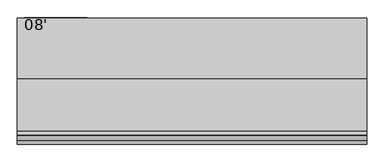
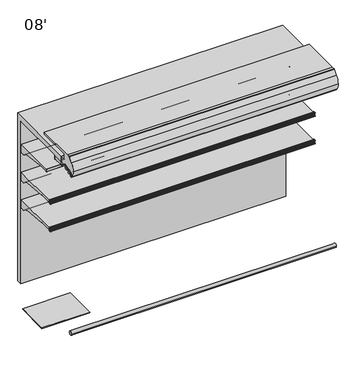
"""IFC4 building model written with IfcOpenShell, lengths in millimetres: proxy geometry, 08'."""

from ifc_helpers import new_model, si_unit, point, frame, frame_2d, origin, place, context, project, spatial, polyline, circle_curve, trimmed, segment, composite_curve, outline, extrude, source, transform, mapped, element, save
from ifc_brep_helpers import plane_surface, cylinder_surface, revolved_surface, advanced_brep


def proxy_08_c13de053(model_context):
    return source(origin(), model_context, "Body", "SolidModel", [
        advanced_brep(
        [(2438.4, -953.4873974, 1188.3336206), (2438.4, -952.5185778, 1188.7146206), (2438.4, -953.6333414, 1191.5492791), (2438.4, -956.6955302, 1193.6427997), (2438.4, -959.1595285, 1193.6508058), (2438.4, -959.1595285, 1165.1089274), (2438.4, -961.2817196, 1162.6035261), (2438.4, -965.5436404, 1161.8992819), (2438.4, -968.2411887, 1165.5176966), (2438.4, -965.1539285, 1178.0739002), (2438.4, -965.1539285, 1193.6508058), (2438.4, -970.314443, 1193.6508058), (2438.4, -971.339509, 1193.1306533), (2438.4, -972.4224632, 1190.8805751), (2438.4, -971.4385536, 1190.6868672), (2438.4, -970.8449745, 1192.2840367), (2438.4, -969.9972085, 1192.4534439), (2438.4, -967.9567396, 1189.3559236), (2438.4, -967.0677396, 1189.3559236), (2438.4, -967.0677396, 1184.5415513), (2438.4, -966.2810398, 1184.3469249), (2438.4, -967.0803293, 1181.1161148), (2438.4, -967.1337108, 1178.0579707), (2438.4, -967.1768859, 1176.9354655), (2438.4, -967.3201998, 1175.2918474), (2438.4, -967.7783843, 1172.5359697), (2438.4, -968.1746064, 1170.9343994), (2438.4, -971.9864246, 1162.6566769), (2438.4, -972.8889174, 1162.7757838), (2438.4, -973.3695256, 1164.2215289), (2438.4, -974.339124, 1163.9575737), (2438.4, -973.9435731, 1162.8065372), (2438.4, -968.3206176, 1159.0474424), (2438.4, -955.7661201, 1161.1134934), (2438.4, -953.1994616, 1163.2422642), (2438.4, -952.2242271, 1165.9215536), (2438.4, -953.2266912, 1166.2864206), (2438.4, -954.0834067, 1164.4981573), (2438.4, -957.704454, 1165.4078872), (2438.4, -957.8263588, 1189.2180727), (2438.4, -954.1516029, 1190.0217197), (0.0, -953.4873974, 1188.3336206), (0.0, -954.1516029, 1190.0217197), (0.0, -957.8263588, 1189.2180727), (0.0, -957.704454, 1165.4078872), (0.0, -954.0834067, 1164.4981573), (0.0, -953.2266912, 1166.2864206), (0.0, -952.2242271, 1165.9215536), (0.0, -953.1994616, 1163.2422642), (0.0, -955.7661201, 1161.1134934), (0.0, -968.3206176, 1159.0474424), (0.0, -973.943554, 1162.8065458), (0.0, -974.339124, 1163.9575737), (0.0, -973.3695256, 1164.2215289), (0.0, -972.8889174, 1162.7757838), (0.0, -971.9864527, 1162.6566957), (0.0, -968.1746064, 1170.9343994), (0.0, -967.7783843, 1172.5359697), (0.0, -967.3201998, 1175.2918474), (0.0, -967.1768859, 1176.9354655), (0.0, -967.1337108, 1178.0579707), (0.0, -967.0803293, 1181.1161148), (0.0, -966.2810398, 1184.3469249), (0.0, -967.0677396, 1184.5415513), (0.0, -967.0677396, 1189.3559236), (0.0, -967.9567396, 1189.3559236), (0.0, -969.9972022, 1192.4534498), (0.0, -970.8449745, 1192.2840367), (0.0, -971.4385536, 1190.6868672), (0.0, -972.4224582, 1190.8805738), (0.0, -971.3395219, 1193.1306627), (0.0, -970.314443, 1193.6507933), (0.0, -965.1539285, 1193.6508058), (0.0, -965.1539285, 1178.0739002), (0.0, -968.2411887, 1165.5176966), (0.0, -965.5436404, 1161.8992819), (0.0, -961.2817196, 1162.6035261), (0.0, -959.1595285, 1165.1089274), (0.0, -959.1595285, 1193.6508058), (0.0, -956.6955302, 1193.6427997), (0.0, -953.6333414, 1191.5492791), (0.0, -952.5185778, 1188.7146206)],
        [
            (0, 1),
            (1, 2),
            (2, 3, circle_curve(frame((2438.4, -956.7062592, 1190.3408171), z_axis=(1.0, 0.0, 0.0), x_axis=(0.0, 1.0, 0.0)), 3.302)),
            (3, 4),
            (4, 5),
            (5, 6, circle_curve(frame((2438.4, -961.6995285, 1165.1089274), z_axis=(-1.0, 0.0, 0.0), x_axis=(0.0, 1.0, 0.0)), 2.54)),
            (6, 7),
            (7, 8, circle_curve(frame((2438.4, -965.9577369, 1164.4052966), z_axis=(-1.0, 0.0, 0.0), x_axis=(0.0, 1.0, 0.0)), 2.5399972)),
            (8, 9, circle_curve(frame((2438.4, -996.6337496, 1179.1563681), z_axis=(1.0, 0.0, 0.0), x_axis=(0.0, 1.0, 0.0)), 31.4984265)),
            (9, 10),
            (10, 11),
            (11, 12, circle_curve(frame((2438.4, -970.3145227, 1192.3808058), z_axis=(1.0, 0.0, 0.0), x_axis=(0.0, 1.0, 0.0)), 1.2699874)),
            (12, 13, circle_curve(frame((2438.4, -965.8048035, 1189.0812188), z_axis=(1.0, 0.0, 0.0), x_axis=(0.0, 1.0, 0.0)), 6.8579226)),
            (13, 14, circle_curve(frame((2438.4, -971.9374049, 1190.748678), z_axis=(1.0, 0.0, 0.0), x_axis=(0.0, 1.0, 0.0)), 0.5026661)),
            (14, 15),
            (15, 16, circle_curve(frame((2438.4, -970.3688025, 1192.10707), z_axis=(-1.0, 0.0, 0.0), x_axis=(0.0, 1.0, 0.0)), 0.5079931)),
            (16, 17, circle_curve(frame((2438.4, -978.1160311, 1184.8844276), z_axis=(-1.0, 0.0, 0.0), x_axis=(0.0, 1.0, 0.0)), 11.0997964)),
            (17, 18),
            (18, 19),
            (19, 20),
            (20, 21),
            (21, 22),
            (22, 23, circle_curve(frame((2438.4, -995.7036769, 1178.594778), z_axis=(-1.0, 0.0, 0.0), x_axis=(0.0, 1.0, 0.0)), 28.5750087)),
            (23, 24, circle_curve(frame((2438.4, -967.6415419, 1176.1479236), z_axis=(-1.0, 0.0, 0.0), x_axis=(0.0, 1.0, 0.0)), 0.9144)),
            (24, 25, circle_curve(frame((2438.4, -995.7036769, 1178.594778), z_axis=(-1.0, 0.0, 0.0), x_axis=(0.0, 1.0, 0.0)), 28.5750087)),
            (25, 26, circle_curve(frame((2438.4, -968.3594405, 1171.8299236), z_axis=(-1.0, 0.0, 0.0), x_axis=(0.0, 1.0, 0.0)), 0.9144)),
            (26, 27, circle_curve(frame((2438.4, -995.7036769, 1178.594778), z_axis=(-1.0, 0.0, 0.0), x_axis=(0.0, 1.0, 0.0)), 28.5750087)),
            (27, 28, circle_curve(frame((2438.4, -972.4081685, 1162.9399198), z_axis=(-1.0, 0.0, 0.0), x_axis=(0.0, 1.0, 0.0)), 0.5079962)),
            (28, 29),
            (29, 30, circle_curve(frame((2438.4, -973.8504313, 1164.075249), z_axis=(1.0, 0.0, 0.0), x_axis=(0.0, 1.0, 0.0)), 0.502661)),
            (30, 31, circle_curve(frame((2438.4, -967.6812793, 1165.602043), z_axis=(1.0, 0.0, 0.0), x_axis=(0.0, 1.0, 0.0)), 6.857928)),
            (31, 32, circle_curve(frame((2438.4, -968.1450833, 1165.3950076), z_axis=(1.0, 0.0, 0.0), x_axis=(0.0, 1.0, 0.0)), 6.3499919)),
            (32, 33),
            (33, 34, circle_curve(frame((2438.4, -956.302307, 1164.3716689), z_axis=(1.0, 0.0, 0.0), x_axis=(0.0, 1.0, 0.0)), 3.302)),
            (34, 35),
            (35, 36),
            (36, 37),
            (37, 38, circle_curve(frame((2438.4, -955.8014264, 1165.3212206), z_axis=(-1.0, 0.0, 0.0), x_axis=(0.0, 1.0, 0.0)), 1.905)),
            (38, 39, circle_curve(frame((2438.4, -1192.7045275, 1176.1101246), z_axis=(1.0, 0.0, 0.0), x_axis=(0.0, 1.0, 0.0)), 235.2436449)),
            (39, 40, circle_curve(frame((2438.4, -955.9243184, 1189.3242206), z_axis=(-1.0, 0.0, 0.0), x_axis=(0.0, 1.0, 0.0)), 1.905)),
            (40, 0),
            (41, 42),
            (42, 43, circle_curve(frame((0.0, -955.9243184, 1189.3242206), z_axis=(1.0, 0.0, 0.0), x_axis=(0.0, 1.0, 0.0)), 1.905)),
            (43, 44, circle_curve(frame((0.0, -1192.7045275, 1176.1101246), z_axis=(-1.0, 0.0, 0.0), x_axis=(0.0, 1.0, 0.0)), 235.2436449)),
            (44, 45, circle_curve(frame((0.0, -955.8014264, 1165.3212206), z_axis=(1.0, 0.0, 0.0), x_axis=(0.0, 1.0, 0.0)), 1.905)),
            (45, 46),
            (46, 47),
            (47, 48),
            (48, 49, circle_curve(frame((0.0, -956.302307, 1164.3716689), z_axis=(-1.0, 0.0, 0.0), x_axis=(0.0, 1.0, 0.0)), 3.302)),
            (49, 50),
            (50, 51, circle_curve(frame((0.0, -968.1450833, 1165.3950076), z_axis=(-1.0, 0.0, 0.0), x_axis=(0.0, 1.0, 0.0)), 6.3499919)),
            (51, 52, circle_curve(frame((0.0, -967.6812793, 1165.602043), z_axis=(-1.0, 0.0, 0.0), x_axis=(0.0, 1.0, 0.0)), 6.857928)),
            (52, 53, circle_curve(frame((0.0, -973.8504313, 1164.075249), z_axis=(-1.0, 0.0, 0.0), x_axis=(0.0, 1.0, 0.0)), 0.502661)),
            (53, 54),
            (54, 55, circle_curve(frame((0.0, -972.4081685, 1162.9399198), z_axis=(1.0, 0.0, 0.0), x_axis=(0.0, 1.0, 0.0)), 0.5079962)),
            (55, 56, circle_curve(frame((0.0, -995.7036769, 1178.594778), z_axis=(1.0, 0.0, 0.0), x_axis=(0.0, 1.0, 0.0)), 28.5750087)),
            (56, 57, circle_curve(frame((0.0, -968.3594405, 1171.8299236), z_axis=(1.0, 0.0, 0.0), x_axis=(0.0, 1.0, 0.0)), 0.9144)),
            (57, 58, circle_curve(frame((0.0, -995.7036769, 1178.594778), z_axis=(1.0, 0.0, 0.0), x_axis=(0.0, 1.0, 0.0)), 28.5750087)),
            (58, 59, circle_curve(frame((0.0, -967.6415419, 1176.1479236), z_axis=(1.0, 0.0, 0.0), x_axis=(0.0, 1.0, 0.0)), 0.9144)),
            (59, 60, circle_curve(frame((0.0, -995.7036769, 1178.594778), z_axis=(1.0, 0.0, 0.0), x_axis=(0.0, 1.0, 0.0)), 28.5750087)),
            (60, 61),
            (61, 62),
            (62, 63),
            (63, 64),
            (64, 65),
            (65, 66, circle_curve(frame((0.0, -978.1160311, 1184.8844276), z_axis=(1.0, 0.0, 0.0), x_axis=(0.0, 1.0, 0.0)), 11.0997964)),
            (66, 67, circle_curve(frame((0.0, -970.3688025, 1192.10707), z_axis=(1.0, 0.0, 0.0), x_axis=(0.0, 1.0, 0.0)), 0.5079931)),
            (67, 68),
            (68, 69, circle_curve(frame((0.0, -971.9374049, 1190.748678), z_axis=(-1.0, 0.0, 0.0), x_axis=(0.0, 1.0, 0.0)), 0.5026661)),
            (69, 70, circle_curve(frame((0.0, -965.8048035, 1189.0812188), z_axis=(-1.0, 0.0, 0.0), x_axis=(0.0, 1.0, 0.0)), 6.8579226)),
            (70, 71, circle_curve(frame((0.0, -970.3145227, 1192.3808058), z_axis=(-1.0, 0.0, 0.0), x_axis=(0.0, 1.0, 0.0)), 1.2699874)),
            (71, 72),
            (72, 73),
            (73, 74, circle_curve(frame((0.0, -996.6337496, 1179.1563681), z_axis=(-1.0, 0.0, 0.0), x_axis=(0.0, 1.0, 0.0)), 31.4984265)),
            (74, 75, circle_curve(frame((0.0, -965.9577369, 1164.4052966), z_axis=(1.0, 0.0, 0.0), x_axis=(0.0, 1.0, 0.0)), 2.5399972)),
            (75, 76),
            (76, 77, circle_curve(frame((0.0, -961.6995285, 1165.1089274), z_axis=(1.0, 0.0, 0.0), x_axis=(0.0, 1.0, 0.0)), 2.54)),
            (77, 78),
            (78, 79),
            (79, 80, circle_curve(frame((0.0, -956.7062592, 1190.3408171), z_axis=(-1.0, 0.0, 0.0), x_axis=(0.0, 1.0, 0.0)), 3.302)),
            (80, 81),
            (81, 41),
            (0, 41),
            (81, 1),
            (80, 2),
            (79, 3),
            (78, 4),
            (77, 5),
            (76, 6),
            (75, 7),
            (74, 8),
            (73, 9),
            (72, 10),
            (71, 11),
            (70, 12),
            (69, 13),
            (68, 14),
            (67, 15),
            (66, 16),
            (65, 17),
            (64, 18),
            (63, 19),
            (62, 20),
            (61, 21),
            (60, 22),
            (59, 23),
            (58, 24),
            (57, 25),
            (56, 26),
            (55, 27),
            (54, 28),
            (53, 29),
            (52, 30),
            (51, 31),
            (50, 32),
            (49, 33),
            (48, 34),
            (47, 35),
            (46, 36),
            (45, 37),
            (44, 38),
            (43, 39),
            (42, 40),
        ],
        [
            plane_surface(frame((2438.4, -952.5185778, 1188.7146206), z_axis=(1.0, 0.0, 0.0), x_axis=(0.0, 0.9306231900674232, 0.3659787946162082))),
            plane_surface(frame((0.0, -952.5185778, 1188.7146206), z_axis=(-1.0, 0.0, 0.0), x_axis=(0.0, -0.9306231900674232, -0.3659787946162082))),
            plane_surface(frame((2438.4, -953.4873974, 1188.3336206), z_axis=(0.0, 0.3659787946162082, -0.9306231900674232), x_axis=(-1.0, 0.0, 0.0))),
            plane_surface(frame((2438.4, -952.5185778, 1188.7146206), z_axis=(0.0, 0.9306231900759704, 0.3659787945944743), x_axis=(-1.0, 0.0, 0.0))),
            cylinder_surface(frame((0.0, -956.7062592, 1190.3408171), z_axis=(1.0, 0.0, 0.0), x_axis=(0.0, 1.0, 0.0)), 3.302),
            plane_surface(frame((2438.4, -956.6955302, 1193.6427997), z_axis=(0.0, 0.0032492421037266625, 0.9999947211989428), x_axis=(-1.0, 0.0, 0.0))),
            plane_surface(frame((2438.4, -959.1595285, 1193.6508058), z_axis=(0.0, -1.0, 0.0), x_axis=(-1.0, 0.0, 0.0))),
            revolved_surface(polyline([(0.0, -959.1595285000001, 1165.1089274), (2438.4, -959.1595285000001, 1165.1089274)]), (0.0, -961.6995285, 1165.1089274), (-1.0, 0.0, 0.0)),
            plane_surface(frame((2438.4, -961.2817196, 1162.6035261), z_axis=(0.0, -0.16303029417408857, 0.9866210636214444), x_axis=(-1.0, 0.0, 0.0))),
            revolved_surface(polyline([(0.0, -963.4177397, 1164.4052966), (2438.4, -963.4177397, 1164.4052966)]), (0.0, -965.9577369, 1164.4052966), (-1.0, 0.0, 0.0)),
            cylinder_surface(frame((0.0, -996.6337496, 1179.1563681), z_axis=(1.0, 0.0, 0.0), x_axis=(0.0, 1.0, 0.0)), 31.4984265),
            plane_surface(frame((2438.4, -965.1539285, 1178.0739002), z_axis=(0.0, 1.0, 0.0), x_axis=(-1.0, 0.0, 0.0))),
            plane_surface(frame((2438.4, -965.1539285, 1193.6508058), z_axis=(0.0, -1.119160319973389e-12, 1.0), x_axis=(-1.0, 0.0, 0.0))),
            cylinder_surface(frame((0.0, -970.3145227, 1192.3808058), z_axis=(1.0, 0.0, 0.0), x_axis=(0.0, 1.0, 0.0)), 1.2699874),
            cylinder_surface(frame((0.0, -965.8048035, 1189.0812188), z_axis=(1.0, 0.0, 0.0), x_axis=(0.0, 1.0, 0.0)), 6.8579226),
            cylinder_surface(frame((0.0, -971.9374049, 1190.748678), z_axis=(1.0, 0.0, 0.0), x_axis=(0.0, 1.0, 0.0)), 0.5026661),
            plane_surface(frame((2438.4, -971.4385536, 1190.6868672), z_axis=(0.0, 0.9373592211117492, -0.34836430729449747), x_axis=(-1.0, 0.0, 0.0))),
            revolved_surface(polyline([(0.0, -969.8608094, 1192.10707), (2438.4, -969.8608094, 1192.10707)]), (0.0, -970.3688025, 1192.10707), (-1.0, 0.0, 0.0)),
            revolved_surface(polyline([(0.0, -967.0162347, 1184.8844276), (2438.4, -967.0162347, 1184.8844276)]), (0.0, -978.1160311, 1184.8844276), (-1.0, 0.0, 0.0)),
            plane_surface(frame((2438.4, -967.9567396, 1189.3559236), z_axis=(0.0, 3.0451831539108525e-12, -1.0), x_axis=(-1.0, 0.0, 0.0))),
            plane_surface(frame((2438.4, -967.0677396, 1189.3559236), z_axis=(0.0, -1.0, 0.0), x_axis=(-1.0, 0.0, 0.0))),
            plane_surface(frame((2438.4, -967.0677396, 1184.5415513), z_axis=(0.0, -0.24015578728041675, -0.9707343600778348), x_axis=(-1.0, 0.0, 0.0))),
            plane_surface(frame((2438.4, -966.2810398, 1184.3469249), z_axis=(0.0, -0.9707343600778283, 0.2401557872804431), x_axis=(-1.0, 0.0, 0.0))),
            plane_surface(frame((2438.4, -967.0803293, 1181.1161148), z_axis=(0.0, -0.999847686821456, 0.017452883938876028), x_axis=(-1.0, 0.0, 0.0))),
            revolved_surface(polyline([(0.0, -967.1286682, 1178.594778), (2438.4, -967.1286682, 1178.594778)]), (0.0, -995.7036769, 1178.594778), (-1.0, 0.0, 0.0)),
            revolved_surface(polyline([(0.0, -966.7271419, 1176.1479236), (2438.4, -966.7271419, 1176.1479236)]), (0.0, -967.6415419, 1176.1479236), (-1.0, 0.0, 0.0)),
            revolved_surface(polyline([(0.0, -967.4450405, 1171.8299236), (2438.4, -967.4450405, 1171.8299236)]), (0.0, -968.3594405, 1171.8299236), (-1.0, 0.0, 0.0)),
            revolved_surface(polyline([(0.0, -971.9001723, 1162.9399198), (2438.4, -971.9001723, 1162.9399198)]), (0.0, -972.4081685, 1162.9399198), (-1.0, 0.0, 0.0)),
            plane_surface(frame((2438.4, -972.8889174, 1162.7757838), z_axis=(0.0, 0.9489403078347877, 0.31545568970367077), x_axis=(-1.0, 0.0, 0.0))),
            cylinder_surface(frame((0.0, -973.8504313, 1164.075249), z_axis=(1.0, 0.0, 0.0), x_axis=(0.0, 1.0, 0.0)), 0.502661),
            cylinder_surface(frame((0.0, -967.6812793, 1165.602043), z_axis=(1.0, 0.0, 0.0), x_axis=(0.0, 1.0, 0.0)), 6.857928),
            cylinder_surface(frame((0.0, -968.1450833, 1165.3950076), z_axis=(1.0, 0.0, 0.0), x_axis=(0.0, 1.0, 0.0)), 6.3499919),
            plane_surface(frame((2438.4, -968.3206176, 1159.0474424), z_axis=(0.0, 0.16238245504538304, -0.986727894757939), x_axis=(-1.0, 0.0, 0.0))),
            cylinder_surface(frame((0.0, -956.302307, 1164.3716689), z_axis=(1.0, 0.0, 0.0), x_axis=(0.0, 1.0, 0.0)), 3.302),
            plane_surface(frame((2438.4, -953.1994616, 1163.2422642), z_axis=(0.0, 0.9396866512804775, -0.3420365439617273), x_axis=(-1.0, 0.0, 0.0))),
            plane_surface(frame((2438.4, -952.2242271, 1165.9215536), z_axis=(0.0, 0.342020143308865, 0.9396926207920244), x_axis=(-1.0, 0.0, 0.0))),
            plane_surface(frame((2438.4, -953.2266912, 1166.2864206), z_axis=(0.0, -0.901847608486837, 0.43205426865912666), x_axis=(-1.0, 0.0, 0.0))),
            revolved_surface(polyline([(0.0, -953.8964264, 1165.3212206), (2438.4, -953.8964264, 1165.3212206)]), (0.0, -955.8014264, 1165.3212206), (-1.0, 0.0, 0.0)),
            cylinder_surface(frame((0.0, -1192.7045275, 1176.1101246), z_axis=(1.0, 0.0, 0.0), x_axis=(0.0, 1.0, 0.0)), 235.2436449),
            revolved_surface(polyline([(0.0, -954.0193184, 1189.3242206), (2438.4, -954.0193184, 1189.3242206)]), (0.0, -955.9243184, 1189.3242206), (-1.0, 0.0, 0.0)),
            plane_surface(frame((2438.4, -954.1516029, 1190.0217197), z_axis=(0.0, -0.9305593005414599, -0.3661412134351841), x_axis=(-1.0, 0.0, 0.0))),
        ],
        [
            (0, [[1, 2, 3, 4, 5, 6, 7, 8, 9, 10, 11, 12, 13, 14, 15, 16, 17, 18, 19, 20, 21, 22, 23, 24, 25, 26, 27, 28, 29, 30, 31, 32, 33, 34, 35, 36, 37, 38, 39, 40, 41]]),
            (1, [[42, 43, 44, 45, 46, 47, 48, 49, 50, 51, 52, 53, 54, 55, 56, 57, 58, 59, 60, 61, 62, 63, 64, 65, 66, 67, 68, 69, 70, 71, 72, 73, 74, 75, 76, 77, 78, 79, 80, 81, 82]]),
            (2, [[-1, 83, -82, 84]]),
            (3, [[-2, -84, -81, 85]]),
            (4, [[-3, -85, -80, 86]]),
            (5, [[-4, -86, -79, 87]]),
            (6, [[-5, -87, -78, 88]]),
            (7, [[-6, -88, -77, 89]]),
            (8, [[-7, -89, -76, 90]]),
            (9, [[-8, -90, -75, 91]]),
            (10, [[-9, -91, -74, 92]]),
            (11, [[-10, -92, -73, 93]]),
            (12, [[-11, -93, -72, 94]]),
            (13, [[-12, -94, -71, 95]]),
            (14, [[-13, -95, -70, 96]]),
            (15, [[-14, -96, -69, 97]]),
            (16, [[-15, -97, -68, 98]]),
            (17, [[-16, -98, -67, 99]]),
            (18, [[-17, -99, -66, 100]]),
            (19, [[-18, -100, -65, 101]]),
            (20, [[-19, -101, -64, 102]]),
            (21, [[-20, -102, -63, 103]]),
            (22, [[-21, -103, -62, 104]]),
            (23, [[-22, -104, -61, 105]]),
            (24, [[-23, -105, -60, 106]]),
            (25, [[-24, -106, -59, 107]]),
            (24, [[-25, -107, -58, 108]]),
            (26, [[-26, -108, -57, 109]]),
            (24, [[-27, -109, -56, 110]]),
            (27, [[-28, -110, -55, 111]]),
            (28, [[-29, -111, -54, 112]]),
            (29, [[-30, -112, -53, 113]]),
            (30, [[-31, -113, -52, 114]]),
            (31, [[-32, -114, -51, 115]]),
            (32, [[-33, -115, -50, 116]]),
            (33, [[-34, -116, -49, 117]]),
            (34, [[-35, -117, -48, 118]]),
            (35, [[-36, -118, -47, 119]]),
            (36, [[-37, -119, -46, 120]]),
            (37, [[-38, -120, -45, 121]]),
            (38, [[-39, -121, -44, 122]]),
            (39, [[-40, -122, -43, 123]]),
            (40, [[-41, -123, -42, -83]]),
        ],
    ),
        advanced_brep(
        [(2438.4, -953.4873974, 1456.3997549), (2438.4, -952.5185778, 1456.7807549), (2438.4, -953.6333414, 1459.6154133), (2438.4, -956.6955302, 1461.7089339), (2438.4, -959.1595285, 1461.7169401), (2438.4, -959.1595285, 1433.1750617), (2438.4, -961.2817196, 1430.6696604), (2438.4, -965.5436404, 1429.9654161), (2438.4, -968.2411887, 1433.5838309), (2438.4, -965.1539285, 1446.1400345), (2438.4, -965.1539285, 1461.7169401), (2438.4, -970.314443, 1461.7169401), (2438.4, -971.339509, 1461.1967875), (2438.4, -972.4224632, 1458.9467094), (2438.4, -971.4385536, 1458.7530014), (2438.4, -970.8449745, 1460.350171), (2438.4, -969.9972085, 1460.5195782), (2438.4, -967.9567396, 1457.4220579), (2438.4, -967.0677396, 1457.4220579), (2438.4, -967.0677396, 1452.6076856), (2438.4, -966.2810398, 1452.4130592), (2438.4, -967.0803293, 1449.1822491), (2438.4, -967.1337108, 1446.124105), (2438.4, -967.1768859, 1445.0015997), (2438.4, -967.3201998, 1443.3579816), (2438.4, -967.7783843, 1440.602104), (2438.4, -968.1746064, 1439.0005336), (2438.4, -971.9864246, 1430.7228111), (2438.4, -972.8889174, 1430.8419181), (2438.4, -973.3695256, 1432.2876631), (2438.4, -974.339124, 1432.0237079), (2438.4, -973.9435731, 1430.8726715), (2438.4, -968.3206176, 1427.1135766), (2438.4, -955.7661201, 1429.1796276), (2438.4, -953.1994616, 1431.3083984), (2438.4, -952.2242271, 1433.9876878), (2438.4, -953.2266912, 1434.3525549), (2438.4, -954.0834067, 1432.5642915), (2438.4, -957.704454, 1433.4740215), (2438.4, -957.8263588, 1457.2842069), (2438.4, -954.1516029, 1458.0878539), (0.0, -953.4873974, 1456.3997549), (0.0, -954.1516029, 1458.0878539), (0.0, -957.8263588, 1457.2842069), (0.0, -957.704454, 1433.4740215), (0.0, -954.0834067, 1432.5642915), (0.0, -953.2266912, 1434.3525549), (0.0, -952.2242271, 1433.9876878), (0.0, -953.1994616, 1431.3083984), (0.0, -955.7661201, 1429.1796276), (0.0, -968.3206176, 1427.1135766), (0.0, -973.943554, 1430.87268), (0.0, -974.339124, 1432.0237079), (0.0, -973.3695256, 1432.2876631), (0.0, -972.8889174, 1430.8419181), (0.0, -971.9864527, 1430.7228299), (0.0, -968.1746064, 1439.0005336), (0.0, -967.7783843, 1440.602104), (0.0, -967.3201998, 1443.3579816), (0.0, -967.1768859, 1445.0015997), (0.0, -967.1337108, 1446.124105), (0.0, -967.0803293, 1449.1822491), (0.0, -966.2810398, 1452.4130592), (0.0, -967.0677396, 1452.6076856), (0.0, -967.0677396, 1457.4220579), (0.0, -967.9567396, 1457.4220579), (0.0, -969.9972022, 1460.5195841), (0.0, -970.8449745, 1460.350171), (0.0, -971.4385536, 1458.7530014), (0.0, -972.4224582, 1458.946708), (0.0, -971.3395219, 1461.1967969), (0.0, -970.314443, 1461.7169275), (0.0, -965.1539285, 1461.7169401), (0.0, -965.1539285, 1446.1400345), (0.0, -968.2411887, 1433.5838309), (0.0, -965.5436404, 1429.9654161), (0.0, -961.2817196, 1430.6696604), (0.0, -959.1595285, 1433.1750617), (0.0, -959.1595285, 1461.7169401), (0.0, -956.6955302, 1461.7089339), (0.0, -953.6333414, 1459.6154133), (0.0, -952.5185778, 1456.7807549)],
        [
            (0, 1),
            (1, 2),
            (2, 3, circle_curve(frame((2438.4, -956.7062592, 1458.4069514), z_axis=(1.0, 0.0, 0.0), x_axis=(0.0, 1.0, 0.0)), 3.302)),
            (3, 4),
            (4, 5),
            (5, 6, circle_curve(frame((2438.4, -961.6995285, 1433.1750617), z_axis=(-1.0, 0.0, 0.0), x_axis=(0.0, 1.0, 0.0)), 2.54)),
            (6, 7),
            (7, 8, circle_curve(frame((2438.4, -965.9577369, 1432.4714309), z_axis=(-1.0, 0.0, 0.0), x_axis=(0.0, 1.0, 0.0)), 2.5399972)),
            (8, 9, circle_curve(frame((2438.4, -996.6337496, 1447.2225023), z_axis=(1.0, 0.0, 0.0), x_axis=(0.0, 1.0, 0.0)), 31.4984265)),
            (9, 10),
            (10, 11),
            (11, 12, circle_curve(frame((2438.4, -970.3145227, 1460.4469401), z_axis=(1.0, 0.0, 0.0), x_axis=(0.0, 1.0, 0.0)), 1.2699874)),
            (12, 13, circle_curve(frame((2438.4, -965.8048035, 1457.1473531), z_axis=(1.0, 0.0, 0.0), x_axis=(0.0, 1.0, 0.0)), 6.8579226)),
            (13, 14, circle_curve(frame((2438.4, -971.9374049, 1458.8148123), z_axis=(1.0, 0.0, 0.0), x_axis=(0.0, 1.0, 0.0)), 0.5026661)),
            (14, 15),
            (15, 16, circle_curve(frame((2438.4, -970.3688025, 1460.1732043), z_axis=(-1.0, 0.0, 0.0), x_axis=(0.0, 1.0, 0.0)), 0.5079931)),
            (16, 17, circle_curve(frame((2438.4, -978.1160311, 1452.9505619), z_axis=(-1.0, 0.0, 0.0), x_axis=(0.0, 1.0, 0.0)), 11.0997964)),
            (17, 18),
            (18, 19),
            (19, 20),
            (20, 21),
            (21, 22),
            (22, 23, circle_curve(frame((2438.4, -995.7036769, 1446.6609123), z_axis=(-1.0, 0.0, 0.0), x_axis=(0.0, 1.0, 0.0)), 28.5750087)),
            (23, 24, circle_curve(frame((2438.4, -967.6415419, 1444.2140579), z_axis=(-1.0, 0.0, 0.0), x_axis=(0.0, 1.0, 0.0)), 0.9144)),
            (24, 25, circle_curve(frame((2438.4, -995.7036769, 1446.6609123), z_axis=(-1.0, 0.0, 0.0), x_axis=(0.0, 1.0, 0.0)), 28.5750087)),
            (25, 26, circle_curve(frame((2438.4, -968.3594405, 1439.8960579), z_axis=(-1.0, 0.0, 0.0), x_axis=(0.0, 1.0, 0.0)), 0.9144)),
            (26, 27, circle_curve(frame((2438.4, -995.7036769, 1446.6609123), z_axis=(-1.0, 0.0, 0.0), x_axis=(0.0, 1.0, 0.0)), 28.5750087)),
            (27, 28, circle_curve(frame((2438.4, -972.4081685, 1431.0060541), z_axis=(-1.0, 0.0, 0.0), x_axis=(0.0, 1.0, 0.0)), 0.5079962)),
            (28, 29),
            (29, 30, circle_curve(frame((2438.4, -973.8504313, 1432.1413833), z_axis=(1.0, 0.0, 0.0), x_axis=(0.0, 1.0, 0.0)), 0.502661)),
            (30, 31, circle_curve(frame((2438.4, -967.6812793, 1433.6681773), z_axis=(1.0, 0.0, 0.0), x_axis=(0.0, 1.0, 0.0)), 6.857928)),
            (31, 32, circle_curve(frame((2438.4, -968.1450833, 1433.4611419), z_axis=(1.0, 0.0, 0.0), x_axis=(0.0, 1.0, 0.0)), 6.3499919)),
            (32, 33),
            (33, 34, circle_curve(frame((2438.4, -956.302307, 1432.4378031), z_axis=(1.0, 0.0, 0.0), x_axis=(0.0, 1.0, 0.0)), 3.302)),
            (34, 35),
            (35, 36),
            (36, 37),
            (37, 38, circle_curve(frame((2438.4, -955.8014264, 1433.3873549), z_axis=(-1.0, 0.0, 0.0), x_axis=(0.0, 1.0, 0.0)), 1.905)),
            (38, 39, circle_curve(frame((2438.4, -1192.7045275, 1444.1762589), z_axis=(1.0, 0.0, 0.0), x_axis=(0.0, 1.0, 0.0)), 235.2436449)),
            (39, 40, circle_curve(frame((2438.4, -955.9243184, 1457.3903549), z_axis=(-1.0, 0.0, 0.0), x_axis=(0.0, 1.0, 0.0)), 1.905)),
            (40, 0),
            (41, 42),
            (42, 43, circle_curve(frame((0.0, -955.9243184, 1457.3903549), z_axis=(1.0, 0.0, 0.0), x_axis=(0.0, 1.0, 0.0)), 1.905)),
            (43, 44, circle_curve(frame((0.0, -1192.7045275, 1444.1762589), z_axis=(-1.0, 0.0, 0.0), x_axis=(0.0, 1.0, 0.0)), 235.2436449)),
            (44, 45, circle_curve(frame((0.0, -955.8014264, 1433.3873549), z_axis=(1.0, 0.0, 0.0), x_axis=(0.0, 1.0, 0.0)), 1.905)),
            (45, 46),
            (46, 47),
            (47, 48),
            (48, 49, circle_curve(frame((0.0, -956.302307, 1432.4378031), z_axis=(-1.0, 0.0, 0.0), x_axis=(0.0, 1.0, 0.0)), 3.302)),
            (49, 50),
            (50, 51, circle_curve(frame((0.0, -968.1450833, 1433.4611419), z_axis=(-1.0, 0.0, 0.0), x_axis=(0.0, 1.0, 0.0)), 6.3499919)),
            (51, 52, circle_curve(frame((0.0, -967.6812793, 1433.6681773), z_axis=(-1.0, 0.0, 0.0), x_axis=(0.0, 1.0, 0.0)), 6.857928)),
            (52, 53, circle_curve(frame((0.0, -973.8504313, 1432.1413833), z_axis=(-1.0, 0.0, 0.0), x_axis=(0.0, 1.0, 0.0)), 0.502661)),
            (53, 54),
            (54, 55, circle_curve(frame((0.0, -972.4081685, 1431.0060541), z_axis=(1.0, 0.0, 0.0), x_axis=(0.0, 1.0, 0.0)), 0.5079962)),
            (55, 56, circle_curve(frame((0.0, -995.7036769, 1446.6609123), z_axis=(1.0, 0.0, 0.0), x_axis=(0.0, 1.0, 0.0)), 28.5750087)),
            (56, 57, circle_curve(frame((0.0, -968.3594405, 1439.8960579), z_axis=(1.0, 0.0, 0.0), x_axis=(0.0, 1.0, 0.0)), 0.9144)),
            (57, 58, circle_curve(frame((0.0, -995.7036769, 1446.6609123), z_axis=(1.0, 0.0, 0.0), x_axis=(0.0, 1.0, 0.0)), 28.5750087)),
            (58, 59, circle_curve(frame((0.0, -967.6415419, 1444.2140579), z_axis=(1.0, 0.0, 0.0), x_axis=(0.0, 1.0, 0.0)), 0.9144)),
            (59, 60, circle_curve(frame((0.0, -995.7036769, 1446.6609123), z_axis=(1.0, 0.0, 0.0), x_axis=(0.0, 1.0, 0.0)), 28.5750087)),
            (60, 61),
            (61, 62),
            (62, 63),
            (63, 64),
            (64, 65),
            (65, 66, circle_curve(frame((0.0, -978.1160311, 1452.9505619), z_axis=(1.0, 0.0, 0.0), x_axis=(0.0, 1.0, 0.0)), 11.0997964)),
            (66, 67, circle_curve(frame((0.0, -970.3688025, 1460.1732043), z_axis=(1.0, 0.0, 0.0), x_axis=(0.0, 1.0, 0.0)), 0.5079931)),
            (67, 68),
            (68, 69, circle_curve(frame((0.0, -971.9374049, 1458.8148123), z_axis=(-1.0, 0.0, 0.0), x_axis=(0.0, 1.0, 0.0)), 0.5026661)),
            (69, 70, circle_curve(frame((0.0, -965.8048035, 1457.1473531), z_axis=(-1.0, 0.0, 0.0), x_axis=(0.0, 1.0, 0.0)), 6.8579226)),
            (70, 71, circle_curve(frame((0.0, -970.3145227, 1460.4469401), z_axis=(-1.0, 0.0, 0.0), x_axis=(0.0, 1.0, 0.0)), 1.2699874)),
            (71, 72),
            (72, 73),
            (73, 74, circle_curve(frame((0.0, -996.6337496, 1447.2225023), z_axis=(-1.0, 0.0, 0.0), x_axis=(0.0, 1.0, 0.0)), 31.4984265)),
            (74, 75, circle_curve(frame((0.0, -965.9577369, 1432.4714309), z_axis=(1.0, 0.0, 0.0), x_axis=(0.0, 1.0, 0.0)), 2.5399972)),
            (75, 76),
            (76, 77, circle_curve(frame((0.0, -961.6995285, 1433.1750617), z_axis=(1.0, 0.0, 0.0), x_axis=(0.0, 1.0, 0.0)), 2.54)),
            (77, 78),
            (78, 79),
            (79, 80, circle_curve(frame((0.0, -956.7062592, 1458.4069514), z_axis=(-1.0, 0.0, 0.0), x_axis=(0.0, 1.0, 0.0)), 3.302)),
            (80, 81),
            (81, 41),
            (0, 41),
            (81, 1),
            (80, 2),
            (79, 3),
            (78, 4),
            (77, 5),
            (76, 6),
            (75, 7),
            (74, 8),
            (73, 9),
            (72, 10),
            (71, 11),
            (70, 12),
            (69, 13),
            (68, 14),
            (67, 15),
            (66, 16),
            (65, 17),
            (64, 18),
            (63, 19),
            (62, 20),
            (61, 21),
            (60, 22),
            (59, 23),
            (58, 24),
            (57, 25),
            (56, 26),
            (55, 27),
            (54, 28),
            (53, 29),
            (52, 30),
            (51, 31),
            (50, 32),
            (49, 33),
            (48, 34),
            (47, 35),
            (46, 36),
            (45, 37),
            (44, 38),
            (43, 39),
            (42, 40),
        ],
        [
            plane_surface(frame((2438.4, -952.5185778, 1456.7807549), z_axis=(1.0, 0.0, 0.0), x_axis=(0.0, 0.9306231900674675, 0.36597879461609556))),
            plane_surface(frame((0.0, -952.5185778, 1456.7807549), z_axis=(-1.0, 0.0, 0.0), x_axis=(0.0, -0.9306231900674675, -0.36597879461609556))),
            plane_surface(frame((2438.4, -953.4873974, 1456.3997549), z_axis=(0.0, 0.36597879461609556, -0.9306231900674675), x_axis=(-1.0, 0.0, 0.0))),
            plane_surface(frame((2438.4, -952.5185778, 1456.7807549), z_axis=(0.0, 0.9306231900759823, 0.365978794594444), x_axis=(-1.0, 0.0, 0.0))),
            cylinder_surface(frame((0.0, -956.7062592, 1458.4069514), z_axis=(1.0, 0.0, 0.0), x_axis=(0.0, 1.0, 0.0)), 3.302),
            plane_surface(frame((2438.4, -956.6955302, 1461.7089339), z_axis=(0.0, 0.0032492421037266625, 0.9999947211989428), x_axis=(-1.0, 0.0, 0.0))),
            plane_surface(frame((2438.4, -959.1595285, 1461.7169401), z_axis=(0.0, -1.0, 0.0), x_axis=(-1.0, 0.0, 0.0))),
            revolved_surface(polyline([(0.0, -959.1595285000001, 1433.1750617), (2438.4, -959.1595285000001, 1433.1750617)]), (0.0, -961.6995285, 1433.1750617), (-1.0, 0.0, 0.0)),
            plane_surface(frame((2438.4, -961.2817196, 1430.6696604), z_axis=(0.0, -0.16303029417402248, 0.9866210636214553), x_axis=(-1.0, 0.0, 0.0))),
            revolved_surface(polyline([(0.0, -963.4177397, 1432.4714309), (2438.4, -963.4177397, 1432.4714309)]), (0.0, -965.9577369, 1432.4714309), (-1.0, 0.0, 0.0)),
            cylinder_surface(frame((0.0, -996.6337496, 1447.2225023), z_axis=(1.0, 0.0, 0.0), x_axis=(0.0, 1.0, 0.0)), 31.4984265),
            plane_surface(frame((2438.4, -965.1539285, 1446.1400345), z_axis=(0.0, 1.0, 0.0), x_axis=(-1.0, 0.0, 0.0))),
            plane_surface(frame((2438.4, -965.1539285, 1461.7169401), z_axis=(0.0, -1.119160319973389e-12, 1.0), x_axis=(-1.0, 0.0, 0.0))),
            cylinder_surface(frame((0.0, -970.3145227, 1460.4469401), z_axis=(1.0, 0.0, 0.0), x_axis=(0.0, 1.0, 0.0)), 1.2699874),
            cylinder_surface(frame((0.0, -965.8048035, 1457.1473531), z_axis=(1.0, 0.0, 0.0), x_axis=(0.0, 1.0, 0.0)), 6.8579226),
            cylinder_surface(frame((0.0, -971.9374049, 1458.8148123), z_axis=(1.0, 0.0, 0.0), x_axis=(0.0, 1.0, 0.0)), 0.5026661),
            plane_surface(frame((2438.4, -971.4385536, 1458.7530014), z_axis=(0.0, 0.9373592211117492, -0.34836430729449747), x_axis=(-1.0, 0.0, 0.0))),
            revolved_surface(polyline([(0.0, -969.8608094, 1460.1732043), (2438.4, -969.8608094, 1460.1732043)]), (0.0, -970.3688025, 1460.1732043), (-1.0, 0.0, 0.0)),
            revolved_surface(polyline([(0.0, -967.0162347, 1452.9505619), (2438.4, -967.0162347, 1452.9505619)]), (0.0, -978.1160311, 1452.9505619), (-1.0, 0.0, 0.0)),
            plane_surface(frame((2438.4, -967.9567396, 1457.4220579), z_axis=(0.0, 3.0451831539108525e-12, -1.0), x_axis=(-1.0, 0.0, 0.0))),
            plane_surface(frame((2438.4, -967.0677396, 1457.4220579), z_axis=(0.0, -1.0, 0.0), x_axis=(-1.0, 0.0, 0.0))),
            plane_surface(frame((2438.4, -967.0677396, 1452.6076856), z_axis=(0.0, -0.24015578728025933, -0.9707343600778736), x_axis=(-1.0, 0.0, 0.0))),
            plane_surface(frame((2438.4, -966.2810398, 1452.4130592), z_axis=(0.0, -0.9707343600778305, 0.2401557872804336), x_axis=(-1.0, 0.0, 0.0))),
            plane_surface(frame((2438.4, -967.0803293, 1449.1822491), z_axis=(0.0, -0.9998476868214559, 0.017452883938876798), x_axis=(-1.0, 0.0, 0.0))),
            revolved_surface(polyline([(0.0, -967.1286682, 1446.6609123), (2438.4, -967.1286682, 1446.6609123)]), (0.0, -995.7036769, 1446.6609123), (-1.0, 0.0, 0.0)),
            revolved_surface(polyline([(0.0, -966.7271419, 1444.2140579), (2438.4, -966.7271419, 1444.2140579)]), (0.0, -967.6415419, 1444.2140579), (-1.0, 0.0, 0.0)),
            revolved_surface(polyline([(0.0, -967.4450405, 1439.8960579), (2438.4, -967.4450405, 1439.8960579)]), (0.0, -968.3594405, 1439.8960579), (-1.0, 0.0, 0.0)),
            revolved_surface(polyline([(0.0, -971.9001723, 1431.0060541), (2438.4, -971.9001723, 1431.0060541)]), (0.0, -972.4081685, 1431.0060541), (-1.0, 0.0, 0.0)),
            plane_surface(frame((2438.4, -972.8889174, 1430.8419181), z_axis=(0.0, 0.9489403078347877, 0.31545568970367077), x_axis=(-1.0, 0.0, 0.0))),
            cylinder_surface(frame((0.0, -973.8504313, 1432.1413833), z_axis=(1.0, 0.0, 0.0), x_axis=(0.0, 1.0, 0.0)), 0.502661),
            cylinder_surface(frame((0.0, -967.6812793, 1433.6681773), z_axis=(1.0, 0.0, 0.0), x_axis=(0.0, 1.0, 0.0)), 6.857928),
            cylinder_surface(frame((0.0, -968.1450833, 1433.4611419), z_axis=(1.0, 0.0, 0.0), x_axis=(0.0, 1.0, 0.0)), 6.3499919),
            plane_surface(frame((2438.4, -968.3206176, 1427.1135766), z_axis=(0.0, 0.1623824550453934, -0.9867278947579372), x_axis=(-1.0, 0.0, 0.0))),
            cylinder_surface(frame((0.0, -956.302307, 1432.4378031), z_axis=(1.0, 0.0, 0.0), x_axis=(0.0, 1.0, 0.0)), 3.302),
            plane_surface(frame((2438.4, -953.1994616, 1431.3083984), z_axis=(0.0, 0.9396866512804775, -0.3420365439617273), x_axis=(-1.0, 0.0, 0.0))),
            plane_surface(frame((2438.4, -952.2242271, 1433.9876878), z_axis=(0.0, 0.342020143308865, 0.9396926207920244), x_axis=(-1.0, 0.0, 0.0))),
            plane_surface(frame((2438.4, -953.2266912, 1434.3525549), z_axis=(0.0, -0.9018476084868497, 0.4320542686591001), x_axis=(-1.0, 0.0, 0.0))),
            revolved_surface(polyline([(0.0, -953.8964264, 1433.3873549), (2438.4, -953.8964264, 1433.3873549)]), (0.0, -955.8014264, 1433.3873549), (-1.0, 0.0, 0.0)),
            cylinder_surface(frame((0.0, -1192.7045275, 1444.1762589), z_axis=(1.0, 0.0, 0.0), x_axis=(0.0, 1.0, 0.0)), 235.2436449),
            revolved_surface(polyline([(0.0, -954.0193184, 1457.3903549), (2438.4, -954.0193184, 1457.3903549)]), (0.0, -955.9243184, 1457.3903549), (-1.0, 0.0, 0.0)),
            plane_surface(frame((2438.4, -954.1516029, 1458.0878539), z_axis=(0.0, -0.93055930054145, -0.36614121343520956), x_axis=(-1.0, 0.0, 0.0))),
        ],
        [
            (0, [[1, 2, 3, 4, 5, 6, 7, 8, 9, 10, 11, 12, 13, 14, 15, 16, 17, 18, 19, 20, 21, 22, 23, 24, 25, 26, 27, 28, 29, 30, 31, 32, 33, 34, 35, 36, 37, 38, 39, 40, 41]]),
            (1, [[42, 43, 44, 45, 46, 47, 48, 49, 50, 51, 52, 53, 54, 55, 56, 57, 58, 59, 60, 61, 62, 63, 64, 65, 66, 67, 68, 69, 70, 71, 72, 73, 74, 75, 76, 77, 78, 79, 80, 81, 82]]),
            (2, [[-1, 83, -82, 84]]),
            (3, [[-2, -84, -81, 85]]),
            (4, [[-3, -85, -80, 86]]),
            (5, [[-4, -86, -79, 87]]),
            (6, [[-5, -87, -78, 88]]),
            (7, [[-6, -88, -77, 89]]),
            (8, [[-7, -89, -76, 90]]),
            (9, [[-8, -90, -75, 91]]),
            (10, [[-9, -91, -74, 92]]),
            (11, [[-10, -92, -73, 93]]),
            (12, [[-11, -93, -72, 94]]),
            (13, [[-12, -94, -71, 95]]),
            (14, [[-13, -95, -70, 96]]),
            (15, [[-14, -96, -69, 97]]),
            (16, [[-15, -97, -68, 98]]),
            (17, [[-16, -98, -67, 99]]),
            (18, [[-17, -99, -66, 100]]),
            (19, [[-18, -100, -65, 101]]),
            (20, [[-19, -101, -64, 102]]),
            (21, [[-20, -102, -63, 103]]),
            (22, [[-21, -103, -62, 104]]),
            (23, [[-22, -104, -61, 105]]),
            (24, [[-23, -105, -60, 106]]),
            (25, [[-24, -106, -59, 107]]),
            (24, [[-25, -107, -58, 108]]),
            (26, [[-26, -108, -57, 109]]),
            (24, [[-27, -109, -56, 110]]),
            (27, [[-28, -110, -55, 111]]),
            (28, [[-29, -111, -54, 112]]),
            (29, [[-30, -112, -53, 113]]),
            (30, [[-31, -113, -52, 114]]),
            (31, [[-32, -114, -51, 115]]),
            (32, [[-33, -115, -50, 116]]),
            (33, [[-34, -116, -49, 117]]),
            (34, [[-35, -117, -48, 118]]),
            (35, [[-36, -118, -47, 119]]),
            (36, [[-37, -119, -46, 120]]),
            (37, [[-38, -120, -45, 121]]),
            (38, [[-39, -121, -44, 122]]),
            (39, [[-40, -122, -43, 123]]),
            (40, [[-41, -123, -42, -83]]),
        ],
    ),
        extrude(outline(composite_curve([segment(trimmed(circle_curve(frame_2d((-536.2729198, 1133.3037953)), 25.4), [point((-535.8410838, 1107.9074665))], [point((-552.2502761, 1113.5583126))], False, "CARTESIAN"), True, "CONTINUOUS"), segment(polyline([(-552.2502761, 1113.5583126), (-570.1023372, 1128.0035781)]), True, "CONTINUOUS"), segment(trimmed(circle_curve(frame_2d((-610.0457279, 1078.6398714)), 63.5), [point((-570.1023372, 1128.0035781))], [point((-602.1478466, 1141.6468033))], True, "CARTESIAN"), True, "CONTINUOUS"), segment(polyline([(-602.1478466, 1141.6468033), (-835.4355203, 1165.4310619), (-835.4355203, 1168.7844928), (-954.2108051, 1168.7844928), (-954.8655599, 1165.0711937)]), True, "CONTINUOUS"), segment(trimmed(circle_curve(frame_2d((-956.153787, 1165.2983428)), 1.3081), [point((-954.8655599, 1165.0711937))], [point((-957.461887, 1165.2983428))], False, "CARTESIAN"), True, "CONTINUOUS"), segment(polyline([(-957.461887, 1165.2983428), (-957.461887, 1189.4507797)]), True, "CONTINUOUS"), segment(trimmed(circle_curve(frame_2d((-956.6845498, 1189.4507797)), 0.7773372), [point((-957.461887, 1189.4507797))], [point((-955.9072126, 1189.4507797))], False, "CARTESIAN"), True, "CONTINUOUS"), segment(polyline([(-955.9072126, 1189.4507797), (-955.9072126, 1188.6020019)]), True, "CONTINUOUS"), segment(trimmed(circle_curve(frame_2d((-951.0617588, 1188.6020019)), 4.8454538), [point((-955.9072126, 1188.6020019))], [point((-951.0838062, 1183.7565983))], True, "CARTESIAN"), True, "CONTINUOUS"), segment(polyline([(-951.0838062, 1183.7565983), (-500.2639658, 1183.7565983), (-500.2639658, 1107.9074665), (-535.8410838, 1107.9074665)]), True, "CONTINUOUS")], self_intersect=False)), frame((0.0, 0.0, 0.0), z_axis=(1.0, 0.0, 0.0), x_axis=(0.0, 1.0, 0.0)), (0.0, 0.0, 1.0), 2438.4),
        extrude(outline(composite_curve([segment(trimmed(circle_curve(frame_2d((-536.2729198, 1672.2638087)), 25.4), [point((-535.8410838, 1646.8674799))], [point((-552.2502761, 1652.518326))], False, "CARTESIAN"), True, "CONTINUOUS"), segment(polyline([(-552.2502761, 1652.518326), (-570.1023372, 1666.9635916)]), True, "CONTINUOUS"), segment(trimmed(circle_curve(frame_2d((-610.0457279, 1617.5998848)), 63.5), [point((-570.1023372, 1666.9635916))], [point((-600.4933507, 1680.3772859))], True, "CARTESIAN"), True, "CONTINUOUS"), segment(polyline([(-600.4933507, 1680.3772859), (-784.6412524, 1704.3779278), (-784.6412524, 1707.7445062), (-903.4165372, 1707.7445062), (-904.071292, 1704.0312071)]), True, "CONTINUOUS"), segment(trimmed(circle_curve(frame_2d((-905.359519, 1704.2583562)), 1.3081), [point((-904.071292, 1704.0312071))], [point((-906.667619, 1704.2583562))], False, "CARTESIAN"), True, "CONTINUOUS"), segment(polyline([(-906.667619, 1704.2583562), (-906.667619, 1728.4107931)]), True, "CONTINUOUS"), segment(trimmed(circle_curve(frame_2d((-905.8902818, 1728.4107931)), 0.7773372), [point((-906.667619, 1728.4107931))], [point((-905.1129446, 1728.4107931))], False, "CARTESIAN"), True, "CONTINUOUS"), segment(polyline([(-905.1129446, 1728.4107931), (-905.1129446, 1727.5620153)]), True, "CONTINUOUS"), segment(trimmed(circle_curve(frame_2d((-900.2674909, 1727.5620153)), 4.8454538), [point((-905.1129446, 1727.5620153))], [point((-900.2895383, 1722.7166117))], True, "CARTESIAN"), True, "CONTINUOUS"), segment(polyline([(-900.2895383, 1722.7166117), (-500.2639658, 1722.7166117), (-500.2639658, 1646.8674799), (-535.8410838, 1646.8674799)]), True, "CONTINUOUS")], self_intersect=False)), frame((0.0, 0.0, 0.0), z_axis=(1.0, 0.0, 0.0), x_axis=(0.0, 1.0, 0.0)), (0.0, 0.0, 1.0), 2438.4),
        extrude(outline(composite_curve([segment(trimmed(circle_curve(frame_2d((-536.2729198, 1401.356035)), 25.4), [point((-535.8410838, 1375.9597062))], [point((-552.2502761, 1381.6105523))], False, "CARTESIAN"), True, "CONTINUOUS"), segment(polyline([(-552.2502761, 1381.6105523), (-570.1023372, 1396.0558178)]), True, "CONTINUOUS"), segment(trimmed(circle_curve(frame_2d((-610.0457279, 1346.6921111)), 63.5), [point((-570.1023372, 1396.0558178))], [point((-602.1478466, 1409.699043))], True, "CARTESIAN"), True, "CONTINUOUS"), segment(polyline([(-602.1478466, 1409.699043), (-835.4355203, 1433.4833016), (-835.4355203, 1436.8367325), (-954.2108051, 1436.8367325), (-954.8655599, 1433.1234333)]), True, "CONTINUOUS"), segment(trimmed(circle_curve(frame_2d((-956.153787, 1433.3505825)), 1.3081), [point((-954.8655599, 1433.1234333))], [point((-957.461887, 1433.3505825))], False, "CARTESIAN"), True, "CONTINUOUS"), segment(polyline([(-957.461887, 1433.3505825), (-957.461887, 1457.5030194)]), True, "CONTINUOUS"), segment(trimmed(circle_curve(frame_2d((-956.6845498, 1457.5030194)), 0.7773372), [point((-957.461887, 1457.5030194))], [point((-955.9072126, 1457.5030194))], False, "CARTESIAN"), True, "CONTINUOUS"), segment(polyline([(-955.9072126, 1457.5030194), (-955.9072126, 1456.6542416)]), True, "CONTINUOUS"), segment(trimmed(circle_curve(frame_2d((-951.0617588, 1456.6542416)), 4.8454538), [point((-955.9072126, 1456.6542416))], [point((-951.0838062, 1451.808838))], True, "CARTESIAN"), True, "CONTINUOUS"), segment(polyline([(-951.0838062, 1451.808838), (-500.2639658, 1451.808838), (-500.2639658, 1375.9597062), (-535.8410838, 1375.9597062)]), True, "CONTINUOUS")], self_intersect=False)), frame((0.0, 0.0, 0.0), z_axis=(1.0, 0.0, 0.0), x_axis=(0.0, 1.0, 0.0)), (0.0, 0.0, 1.0), 2438.4),
        extrude(outline(polyline([(486.171875, -754.415012), (48.021875, -754.415012), (48.021875, -447.329012), (486.171875, -447.329012), (486.171875, -754.415012)])), frame((0.0, 0.0, 68.5310382), z_axis=(0.0, 0.0, 1.0), x_axis=(1.0, 0.0, 0.0)), (0.0, 0.0, 1.0), 6.35),
        extrude(outline(polyline([(2438.4, -1043.857807), (2438.4, -1145.4578064), (0.0, -1145.4578064), (0.0, -1043.857807), (2438.4, -1043.857807)])), frame((0.0, 0.0, 1914.8664093), z_axis=(0.0, 0.0, 1.0), x_axis=(1.0, 0.0, 0.0)), (0.0, 0.0, 1.0), 25.3999935),
        extrude(outline(composite_curve([segment(polyline([(-451.7851762, 367.1756257), (-500.2639658, 367.1756257), (-500.2639658, 1949.9895757), (-1043.222807, 1949.9895757), (-1043.222807, 1912.6450166)]), True, "CONTINUOUS"), segment(trimmed(circle_curve(frame_2d((-1045.445098, 1912.6450166)), 2.2222909), [point((-1043.222807, 1912.6450166))], [point((-1045.445098, 1910.4227257))], False, "CARTESIAN"), True, "CONTINUOUS"), segment(polyline([(-1045.445098, 1910.4227257), (-1057.882775, 1910.4227257)]), True, "CONTINUOUS"), segment(trimmed(circle_curve(frame_2d((-1057.882775, 1910.7402257)), 0.3175), [point((-1057.882775, 1910.4227257))], [point((-1057.882775, 1911.0577257))], False, "CARTESIAN"), True, "CONTINUOUS"), segment(polyline([(-1057.882775, 1911.0577257), (-1045.445307, 1911.0577257)]), True, "CONTINUOUS"), segment(trimmed(circle_curve(frame_2d((-1045.445307, 1912.6452257)), 1.5875), [point((-1045.445307, 1911.0577257))], [point((-1043.857807, 1912.6452257))], True, "CARTESIAN"), True, "CONTINUOUS"), segment(polyline([(-1043.857807, 1912.6452257), (-1043.857807, 1940.2664016), (-1146.8484725, 1940.2664028), (-1146.8484725, 1912.6452257)]), True, "CONTINUOUS"), segment(trimmed(circle_curve(frame_2d((-1145.2609725, 1912.6452257)), 1.5875), [point((-1146.8484725, 1912.6452257))], [point((-1145.2609725, 1911.0577257))], True, "CARTESIAN"), True, "CONTINUOUS"), segment(polyline([(-1145.2609725, 1911.0577257), (-1136.2482021, 1911.0577257)]), True, "CONTINUOUS"), segment(trimmed(circle_curve(frame_2d((-1136.2482021, 1910.7402257)), 0.3175), [point((-1136.2482021, 1911.0577257))], [point((-1136.2482021, 1910.4227257))], False, "CARTESIAN"), True, "CONTINUOUS"), segment(polyline([(-1136.2482021, 1910.4227257), (-1145.2611816, 1910.4227257)]), True, "CONTINUOUS"), segment(trimmed(circle_curve(frame_2d((-1145.2611816, 1912.6450167)), 2.2222909), [point((-1145.2611816, 1910.4227257))], [point((-1147.4754748, 1912.4566488))], False, "CARTESIAN"), True, "CONTINUOUS"), segment(polyline([(-1147.4754748, 1912.4566488), (-1147.4754748, 2000.9165757), (-451.7851762, 2000.9165757), (-451.7851762, 367.1756257)]), True, "CONTINUOUS")], self_intersect=False)), frame((0.0, 0.0, 0.0), z_axis=(1.0, 0.0, 0.0), x_axis=(0.0, 1.0, 0.0)), (0.0, 0.0, 1.0), 2438.4),
        extrude(outline(composite_curve([segment(polyline([(-1154.5871408, 1916.2331769), (-1154.5871408, 1917.1475769), (-1148.3846084, 1917.1475769)]), True, "CONTINUOUS"), segment(trimmed(circle_curve(frame_2d((-1148.3846084, 1917.6919195)), 0.5443426), [point((-1148.3846084, 1917.1475769))], [point((-1147.8402658, 1917.6919195))], True, "CARTESIAN"), True, "CONTINUOUS"), segment(polyline([(-1147.8402658, 1917.6919195), (-1147.8402658, 1960.5898319)]), True, "CONTINUOUS"), segment(trimmed(circle_curve(frame_2d((-1148.2752408, 1960.5898319)), 0.434975), [point((-1147.8402658, 1960.5898319))], [point((-1148.424011, 1960.9985747))], True, "CARTESIAN"), True, "CONTINUOUS"), segment(polyline([(-1148.424011, 1960.9985747), (-1180.9562719, 1949.1578001)]), True, "CONTINUOUS"), segment(trimmed(circle_curve(frame_2d((-1181.4368745, 1950.478245)), 1.4051881), [point((-1180.9562719, 1949.1578001))], [point((-1182.0307327, 1949.204712))], False, "CARTESIAN"), True, "CONTINUOUS"), segment(polyline([(-1182.0307327, 1949.204712), (-1206.3683838, 1960.5535452), (-1311.1114658, 1932.4877209), (-1311.1114658, 1918.2347529), (-1312.0258658, 1918.2347529), (-1312.0258658, 1902.8669364)]), True, "CONTINUOUS"), segment(trimmed(circle_curve(frame_2d((-1310.4383658, 1902.8669364)), 1.5875), [point((-1312.0258658, 1902.8669364))], [point((-1310.9552052, 1901.3659257))], True, "CARTESIAN"), True, "CONTINUOUS"), segment(polyline([(-1310.9552052, 1901.3659257), (-1300.7637174, 1897.856715)]), True, "CONTINUOUS"), segment(trimmed(circle_curve(frame_2d((-1300.246878, 1899.3577258)), 1.5875), [point((-1300.7637174, 1897.856715))], [point((-1299.124346, 1898.2351937))], True, "CARTESIAN"), True, "CONTINUOUS"), segment(polyline([(-1299.124346, 1898.2351937), (-1295.7298092, 1901.6297305)]), True, "CONTINUOUS"), segment(trimmed(circle_curve(frame_2d((-1295.3232893, 1901.2232106)), 0.574906), [point((-1295.7298092, 1901.6297305))], [point((-1294.8765034, 1901.5850107))], False, "CARTESIAN"), True, "CONTINUOUS"), segment(polyline([(-1294.8765034, 1901.5850107), (-1294.0466363, 1902.4148778), (-1292.6097953, 1900.9780368), (-1299.1833428, 1894.4044894)]), True, "CONTINUOUS"), segment(trimmed(circle_curve(frame_2d((-1304.3200493, 1899.5411959)), 7.2644), [point((-1299.1833428, 1894.4044894))], [point((-1309.6328951, 1894.586887))], False, "CARTESIAN"), True, "CONTINUOUS"), segment(trimmed(circle_curve(frame_2d((-1237.0914169, 1963.5365808)), 100.0815984), [point((-1309.6328951, 1894.586887))], [point((-1337.130482, 1966.4540798))], False, "CARTESIAN"), True, "CONTINUOUS"), segment(trimmed(circle_curve(frame_2d((-1234.6586092, 1963.5015396)), 102.5144), [point((-1337.130482, 1966.4540798))], [point((-1308.4012972, 2034.7140257))], False, "CARTESIAN"), True, "CONTINUOUS"), segment(polyline([(-1308.4012972, 2034.7140257), (-1273.765492, 2070.580452)]), True, "CONTINUOUS"), segment(trimmed(circle_curve(frame_2d((-1268.5399199, 2065.5341757)), 7.2644), [point((-1273.765492, 2070.580452))], [point((-1268.5399199, 2072.7985757))], False, "CARTESIAN"), True, "CONTINUOUS"), segment(polyline([(-1268.5399199, 2072.7985757), (-1246.8367658, 2072.7985757), (-1246.8367658, 2070.7665757), (-877.8001658, 2070.7665757), (-877.8001658, 2053.0), (-1193.4788424, 2053.0), (-1193.4788424, 2000.9165757), (-1147.4754748, 2000.9165757), (-1147.4754748, 1917.2180045)]), True, "CONTINUOUS"), segment(trimmed(circle_curve(frame_2d((-1148.4603024, 1917.2180045)), 0.9848276), [point((-1147.4754748, 1917.2180045))], [point((-1148.4603024, 1916.2331769))], False, "CARTESIAN"), True, "CONTINUOUS"), segment(polyline([(-1148.4603024, 1916.2331769), (-1154.5871408, 1916.2331769)]), True, "CONTINUOUS")], self_intersect=False)), frame((0.0, 0.0, 0.0), z_axis=(1.0, 0.0, 0.0), x_axis=(0.0, 1.0, 0.0)), (0.0, 0.0, 1.0), 2438.4),
        extrude(outline(composite_curve([segment(trimmed(circle_curve(frame_2d((-1223.9123321, 1929.4566846)), 14.2875), [point((-1238.1998321, 1929.4566846))], [point((-1209.6248321, 1929.4566846))], False, "CARTESIAN"), True, "CONTINUOUS"), segment(trimmed(circle_curve(frame_2d((-1223.9123321, 1929.4566846)), 14.2875), [point((-1209.6248321, 1929.4566846))], [point((-1238.1998321, 1929.4566846))], False, "CARTESIAN"), True, "CONTINUOUS")], self_intersect=False)), frame((0.0, 0.0, 0.0), z_axis=(1.0, 0.0, 0.0), x_axis=(0.0, 1.0, 0.0)), (0.0, 0.0, 1.0), 2438.4),
        extrude(outline(composite_curve([segment(trimmed(circle_curve(frame_2d((-1267.5951197, 1917.7519169)), 14.2875), [point((-1281.8826197, 1917.7519169))], [point((-1253.3076197, 1917.7519169))], False, "CARTESIAN"), True, "CONTINUOUS"), segment(trimmed(circle_curve(frame_2d((-1267.5951197, 1917.7519169)), 14.2875), [point((-1253.3076197, 1917.7519169))], [point((-1281.8826197, 1917.7519169))], False, "CARTESIAN"), True, "CONTINUOUS")], self_intersect=False)), frame((0.0, 0.0, 0.0), z_axis=(1.0, 0.0, 0.0), x_axis=(0.0, 1.0, 0.0)), (0.0, 0.0, 1.0), 2438.4),
        extrude(outline(composite_curve([segment(trimmed(circle_curve(frame_2d((-1293.1554914, 368.3)), 17.3534359), [point((-1310.5089273, 368.3))], [point((-1275.8020556, 368.3))], False, "CARTESIAN"), True, "CONTINUOUS"), segment(trimmed(circle_curve(frame_2d((-1293.1554914, 368.3)), 17.3534359), [point((-1275.8020556, 368.3))], [point((-1310.5089273, 368.3))], False, "CARTESIAN"), True, "CONTINUOUS")], self_intersect=False)), frame((0.0, 0.0, 0.0), z_axis=(1.0, 0.0, 0.0), x_axis=(0.0, 1.0, 0.0)), (0.0, 0.0, 1.0), 2438.4),
    ])


if __name__ == "__main__":
    model = new_model("IFC4")
    model_context = context("Model", 3, world=origin())
    ifc_project = project(units=[si_unit("LENGTHUNIT", "METRE", prefix="MILLI")], contexts=[model_context])
    site = spatial("IfcSite", under=ifc_project)
    building = spatial("IfcBuilding", under=site)
    placement = place(None, origin())
    proxy_08_shape = proxy_08_c13de053(model_context)
    element("IfcBuildingElementProxy", 1, Name="08'", ObjectType="08'", at=placement, inside=building, context=model_context, shape_type="MappedRepresentation", body=[
        mapped(proxy_08_shape, transform((0.0, 0.0, 0.0), x_axis=(1.0, 0.0, 0.0), y_axis=(0.0, 1.0, 0.0), z_axis=(0.0, 0.0, 1.0))),
    ])
    save(model, "model.ifc")
